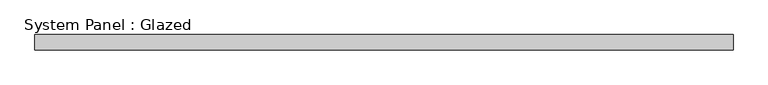
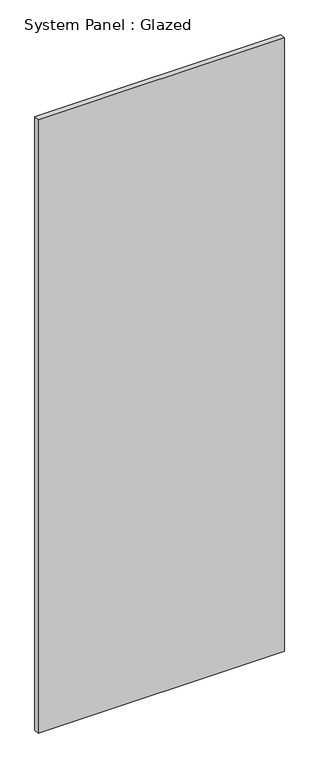
"""IFC4 building model written with IfcOpenShell, lengths in millimetres: plate geometry, System Panel : Glazed."""

from ifc_helpers import new_model, si_unit, origin, origin_with_axes, place, context, project, spatial, polyline, outline, extrude, source, transform, mapped, element, save


def system_panel_glazed_5971d7aa(model_context):
    return source(origin(), model_context, "Body", "SweptSolid", [
        extrude(outline(polyline([(584.125, 19.05), (-584.125, 19.05), (-584.125, 44.45), (584.125, 44.45), (584.125, 19.05)])), origin_with_axes(), (0.0, 0.0, 1.0), 3073.0),
    ])


if __name__ == "__main__":
    model = new_model("IFC4")
    model_context = context("Model", 3, world=origin())
    ifc_project = project(units=[si_unit("LENGTHUNIT", "METRE", prefix="MILLI")], contexts=[model_context])
    site = spatial("IfcSite", under=ifc_project)
    building = spatial("IfcBuilding", under=site)
    placement = place(None, origin())
    system_panel_glazed_shape = system_panel_glazed_5971d7aa(model_context)
    element("IfcPlate", 1, ObjectType="System Panel : Glazed", at=placement, inside=building, context=model_context, shape_type="MappedRepresentation", body=[
        mapped(system_panel_glazed_shape, transform((0.0, 0.0, 0.0), x_axis=(1.0, 0.0, 0.0), y_axis=(0.0, 1.0, 0.0), z_axis=(0.0, 0.0, 1.0))),
    ])
    save(model, "model.ifc")
